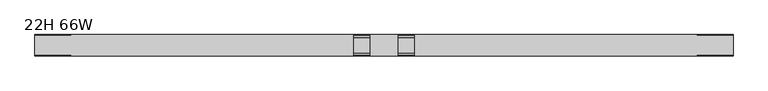
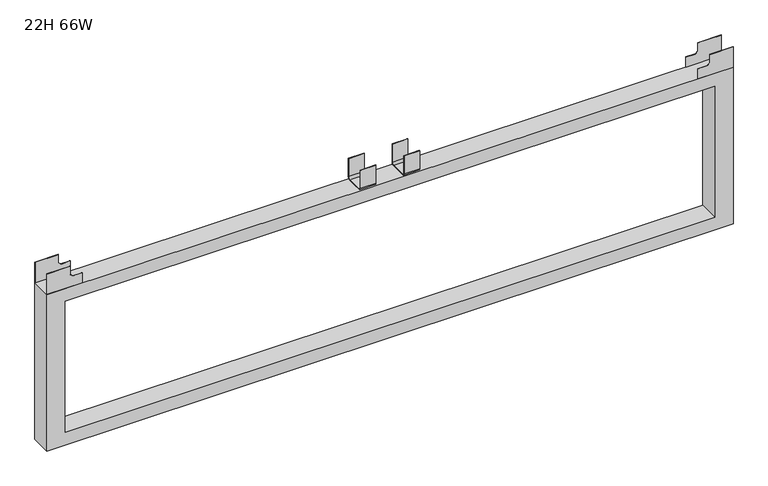
"""IFC4 building model written with IfcOpenShell, lengths in millimetres: furniture geometry, 22H 66W."""

from ifc_helpers import new_model, si_unit, point, frame, frame_2d, origin, place, context, project, spatial, polyline, circle_curve, trimmed, segment, composite_curve, outline, extrude, source, transform, mapped, element, save


def furniture_22h_66w_45024add(model_context):
    return source(origin(), model_context, "Body", "SweptSolid", [
        extrude(outline(composite_curve([segment(polyline([(-13.7160005, 558.8), (-13.7160005, 512.3942085)]), True, "CONTINUOUS"), segment(trimmed(circle_curve(frame_2d((-20.0660005, 512.3942085)), 6.35), [point((-13.7160005, 512.3942085))], [point((-20.0660005, 506.0442085))], False, "CARTESIAN"), True, "CONTINUOUS"), segment(polyline([(-20.0660005, 506.0442085), (-58.1660021, 506.0442085)]), True, "CONTINUOUS"), segment(trimmed(circle_curve(frame_2d((-58.1660021, 512.3942085)), 6.35), [point((-58.1660021, 506.0442085))], [point((-64.5160021, 512.3942085))], False, "CARTESIAN"), True, "CONTINUOUS"), segment(polyline([(-64.5160021, 512.3942085), (-64.5160021, 558.8), (-63.7286021, 558.8), (-63.7286021, 512.3942085)]), True, "CONTINUOUS"), segment(trimmed(circle_curve(frame_2d((-58.1660021, 512.3942085)), 5.5626), [point((-63.7286021, 512.3942085))], [point((-58.1660021, 506.8316085))], True, "CARTESIAN"), True, "CONTINUOUS"), segment(polyline([(-58.1660021, 506.8316085), (-20.0660005, 506.8316085)]), True, "CONTINUOUS"), segment(trimmed(circle_curve(frame_2d((-20.0660005, 512.3942085)), 5.5626), [point((-20.0660005, 506.8316085))], [point((-14.5034005, 512.3942085))], True, "CARTESIAN"), True, "CONTINUOUS"), segment(polyline([(-14.5034005, 512.3942085), (-14.5034005, 558.8), (-13.7160005, 558.8)]), True, "CONTINUOUS")], self_intersect=False)), frame((872.4899855, 0.0, 0.0), z_axis=(1.0, 0.0, 0.0), x_axis=(0.0, 1.0, 0.0)), (0.0, 0.0, 1.0), 38.1),
        extrude(outline(composite_curve([segment(polyline([(-13.7160005, 558.8), (-13.7160005, 512.3942085)]), True, "CONTINUOUS"), segment(trimmed(circle_curve(frame_2d((-20.0660005, 512.3942085)), 6.35), [point((-13.7160005, 512.3942085))], [point((-20.0660005, 506.0442085))], False, "CARTESIAN"), True, "CONTINUOUS"), segment(polyline([(-20.0660005, 506.0442085), (-58.1660021, 506.0442085)]), True, "CONTINUOUS"), segment(trimmed(circle_curve(frame_2d((-58.1660021, 512.3942085)), 6.35), [point((-58.1660021, 506.0442085))], [point((-64.5160021, 512.3942085))], False, "CARTESIAN"), True, "CONTINUOUS"), segment(polyline([(-64.5160021, 512.3942085), (-64.5160021, 558.8), (-63.7286021, 558.8), (-63.7286021, 512.3942085)]), True, "CONTINUOUS"), segment(trimmed(circle_curve(frame_2d((-58.1660021, 512.3942085)), 5.5626), [point((-63.7286021, 512.3942085))], [point((-58.1660021, 506.8316085))], True, "CARTESIAN"), True, "CONTINUOUS"), segment(polyline([(-58.1660021, 506.8316085), (-20.0660005, 506.8316085)]), True, "CONTINUOUS"), segment(trimmed(circle_curve(frame_2d((-20.0660005, 512.3942085)), 5.5626), [point((-20.0660005, 506.8316085))], [point((-14.5034005, 512.3942085))], True, "CARTESIAN"), True, "CONTINUOUS"), segment(polyline([(-14.5034005, 512.3942085), (-14.5034005, 558.8), (-13.7160005, 558.8)]), True, "CONTINUOUS")], self_intersect=False)), frame((765.8100145, 0.0, 0.0), z_axis=(1.0, 0.0, 0.0), x_axis=(0.0, 1.0, 0.0)), (0.0, 0.0, 1.0), 38.1),
        extrude(outline(polyline([(558.8, 1676.4), (558.8, 1619.25), (537.2887403, 1619.25), (532.0792109, 1612.9000015), (532.0792109, 1590.0400006), (506.0442085, 1590.0400006), (506.0442085, 1676.4), (558.8, 1676.4)])), frame((0.0, -14.333455, 0.0), z_axis=(0.0, 1.0, 0.0), x_axis=(0.0, 0.0, 1.0)), (0.0, 0.0, 1.0), 0.6174544),
        extrude(outline(polyline([(558.8, 1676.4), (558.8, 1619.25), (537.2887403, 1619.25), (532.0792109, 1612.9000015), (532.0792109, 1590.0400006), (506.0442085, 1590.0400006), (506.0442085, 1676.4), (558.8, 1676.4)])), frame((0.0, -64.5160021, 0.0), z_axis=(0.0, 1.0, 0.0), x_axis=(0.0, 0.0, 1.0)), (0.0, 0.0, 1.0), 0.6174544),
        extrude(outline(polyline([(558.8, 0.0), (506.0442085, 0.0), (506.0442085, 86.3599994), (532.0792109, 86.3599994), (532.0792109, 63.4999985), (537.2887403, 57.15), (558.8, 57.15), (558.8, 0.0)])), frame((0.0, -14.333455, 0.0), z_axis=(0.0, 1.0, 0.0), x_axis=(0.0, 0.0, 1.0)), (0.0, 0.0, 1.0), 0.6174544),
        extrude(outline(polyline([(558.8, 0.0), (506.0442085, 0.0), (506.0442085, 86.3599994), (532.0792109, 86.3599994), (532.0792109, 63.4999985), (537.2887403, 57.15), (558.8, 57.15), (558.8, 0.0)])), frame((0.0, -64.5160021, 0.0), z_axis=(0.0, 1.0, 0.0), x_axis=(0.0, 0.0, 1.0)), (0.0, 0.0, 1.0), 0.6174544),
        extrude(outline(polyline([(101.600003, 0.0), (101.600003, 1676.4), (505.9171935, 1676.4), (505.9171935, 0.0), (101.600003, 0.0)]), holes=[polyline([(134.4929989, 44.4499985), (473.0242158, 44.4499985), (473.0242158, 1631.9500015), (134.4929989, 1631.9500015), (134.4929989, 44.4499985)])]), frame((0.0, -64.5160021, 0.0), z_axis=(0.0, 1.0, 0.0), x_axis=(0.0, 0.0, 1.0)), (0.0, 0.0, 1.0), 50.8000015),
    ])


if __name__ == "__main__":
    model = new_model("IFC4")
    model_context = context("Model", 3, world=origin())
    ifc_project = project(units=[si_unit("LENGTHUNIT", "METRE", prefix="MILLI")], contexts=[model_context])
    site = spatial("IfcSite", under=ifc_project)
    building = spatial("IfcBuilding", under=site)
    placement = place(None, origin())
    furniture_22h_66w_shape = furniture_22h_66w_45024add(model_context)
    element("IfcFurniture", 1, ObjectType="22H 66W", at=placement, inside=building, context=model_context, shape_type="MappedRepresentation", body=[
        mapped(furniture_22h_66w_shape, transform((0.0, 0.0, 0.0), x_axis=(1.0, 0.0, 0.0), y_axis=(0.0, 1.0, 0.0), z_axis=(0.0, 0.0, 1.0))),
    ])
    save(model, "model.ifc")
